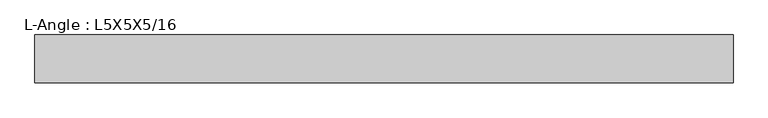
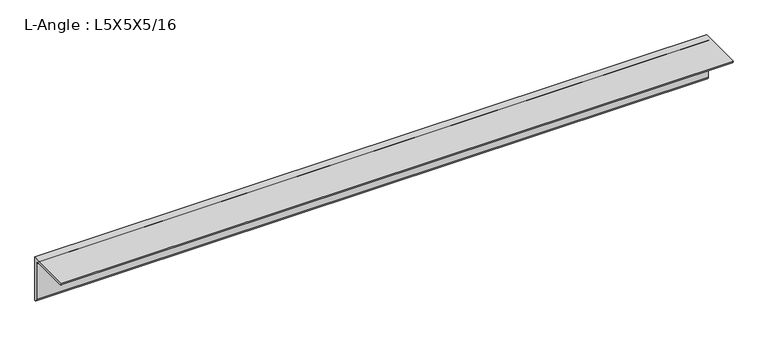
"""IFC4 building model written with IfcOpenShell, lengths in millimetres: beam geometry, L-Angle : L5X5X5/16."""

from ifc_helpers import new_model, si_unit, point, frame, frame_2d, origin, place, context, project, spatial, polyline, circle_curve, trimmed, segment, composite_curve, outline, extrude, source, transform, mapped, element, save


def l_angle_l5x5x5_16_db56374e(model_context):
    return source(origin(), model_context, "Body", "SweptSolid", [
        extrude(outline(composite_curve([segment(polyline([(34.3296875, 34.3296875), (34.3296875, -92.6703125)]), True, "CONTINUOUS"), segment(trimmed(circle_curve(frame_2d((34.3296875, -84.7328125)), 7.9375), [point((34.3296875, -92.6703125))], [point((26.3921875, -84.7328125))], False, "CARTESIAN"), True, "CONTINUOUS"), segment(polyline([(26.3921875, -84.7328125), (26.3921875, 18.4546875)]), True, "CONTINUOUS"), segment(trimmed(circle_curve(frame_2d((18.4546875, 18.4546875)), 7.9375), [point((26.3921875, 18.4546875))], [point((18.4546875, 26.3921875))], True, "CARTESIAN"), True, "CONTINUOUS"), segment(polyline([(18.4546875, 26.3921875), (-84.7328125, 26.3921875)]), True, "CONTINUOUS"), segment(trimmed(circle_curve(frame_2d((-84.7328125, 34.3296875)), 7.9375), [point((-84.7328125, 26.3921875))], [point((-92.6703125, 34.3296875))], False, "CARTESIAN"), True, "CONTINUOUS"), segment(polyline([(-92.6703125, 34.3296875), (34.3296875, 34.3296875)]), True, "CONTINUOUS")], self_intersect=False)), frame((-914.1519531, 0.0, 0.0), z_axis=(1.0, 0.0, 0.0), x_axis=(0.0, 1.0, 0.0)), (0.0, 0.0, 1.0), 1854.4480469),
    ])


if __name__ == "__main__":
    model = new_model("IFC4")
    model_context = context("Model", 3, world=origin())
    ifc_project = project(units=[si_unit("LENGTHUNIT", "METRE", prefix="MILLI")], contexts=[model_context])
    site = spatial("IfcSite", under=ifc_project)
    building = spatial("IfcBuilding", under=site)
    placement = place(None, origin())
    l_angle_l5x5x5_16_shape = l_angle_l5x5x5_16_db56374e(model_context)
    element("IfcBeam", 1, ObjectType="L-Angle : L5X5X5/16", at=placement, inside=building, context=model_context, shape_type="MappedRepresentation", body=[
        mapped(l_angle_l5x5x5_16_shape, transform((0.0, 0.0, 0.0), x_axis=(1.0, 0.0, 0.0), y_axis=(0.0, 1.0, 0.0), z_axis=(0.0, 0.0, 1.0))),
    ])
    save(model, "model.ifc")
